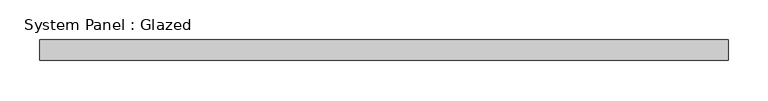
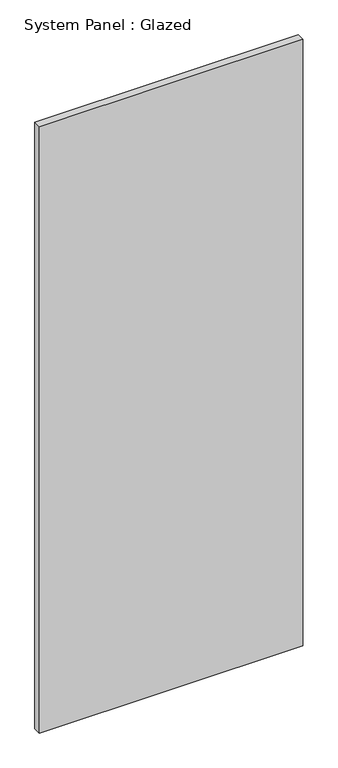
"""IFC4 building model written with IfcOpenShell, lengths in millimetres: plate geometry, System Panel : Glazed."""

import ifcopenshell
import ifcopenshell.guid

model = None  # the IFC model being written
_history = None  # IfcOwnerHistory: only IFC2X3 demands one
_inside = {}  # id of a spatial element -> (the spatial element, [elements in it])
_under = {}  # id of a project, library or spatial element -> (it, [spatial elements below it])
_declared = {}  # id of a project -> (the project, [libraries it declares])
_typed = {}  # id of a type object -> (the type object, [elements of that type])
_made_of = {}  # id of a material, layer set ... -> (it, [elements and type objects made of it])


def new_model(schema):
    """Start an empty IFC model of exactly this schema.

    Asked for "IFC4X3", IfcOpenShell would pick the latest addendum, in which some entities
    have other attributes; the version numbers below select the first issue.
    IFC2X3 requires an IfcOwnerHistory on every rooted entity: one is made here for all.
    """
    global model, _history
    if schema == "IFC4X3":
        model = ifcopenshell.file(schema_version=(4, 3, 0, 0))
    else:
        model = ifcopenshell.file(schema=schema)
    _inside.clear()
    _under.clear()
    _declared.clear()
    _typed.clear()
    _made_of.clear()
    _history = None
    if model.schema == "IFC2X3":
        org = make("IfcOrganization", Name="unknown")
        user = make(
            "IfcPersonAndOrganization",
            ThePerson=make("IfcPerson", FamilyName="unknown"),
            TheOrganization=org,
        )
        app = make(
            "IfcApplication",
            ApplicationDeveloper=org,
            Version="unknown",
            ApplicationFullName="unknown",
            ApplicationIdentifier="unknown",
        )
        _history = make(
            "IfcOwnerHistory",
            OwningUser=user,
            OwningApplication=app,
            ChangeAction="ADDED",
            CreationDate=0,
        )
    return model


def make(cls, **values):
    """One entity of the class cls with the attributes given. An attribute that is None is left unset."""
    return model.create_entity(
        cls, **{name: value for name, value in values.items() if value is not None}
    )


def rooted(cls, **values):
    """An entity with a GlobalId (a new one), such as an element, a storey or a relation."""
    return make(cls, GlobalId=ifcopenshell.guid.new(), OwnerHistory=_history, **values)


def si_unit(unit_type, name, prefix=None):
    """IfcSIUnit, for example si_unit("LENGTHUNIT", "METRE", prefix="MILLI")."""
    return make("IfcSIUnit", UnitType=unit_type, Prefix=prefix, Name=name)


def assignment(units):
    """IfcUnitAssignment: the units of a project."""
    return None if units is None else make("IfcUnitAssignment", Units=units)


def point(xyz):
    """IfcCartesianPoint."""
    return None if xyz is None else make("IfcCartesianPoint", Coordinates=xyz)


def direction(xyz):
    """IfcDirection."""
    return None if xyz is None else make("IfcDirection", DirectionRatios=xyz)


def frame(location, z_axis=None, x_axis=None):
    """IfcAxis2Placement3D, a coordinate frame: its origin and axes. An axis left out is left unset."""
    return make(
        "IfcAxis2Placement3D",
        Location=point(location),
        Axis=direction(z_axis),
        RefDirection=direction(x_axis),
    )


def origin():
    """The frame at (0, 0, 0) with its axes left unset."""
    return frame((0.0, 0.0, 0.0))


def origin_with_axes():
    """The frame at (0, 0, 0) with the z axis (0, 0, 1) and the x axis (1, 0, 0) written out."""
    return frame((0.0, 0.0, 0.0), z_axis=(0.0, 0.0, 1.0), x_axis=(1.0, 0.0, 0.0))


def place(relative_to, where):
    """IfcLocalPlacement: puts the frame where relative to a parent placement (None: the world)."""
    return make(
        "IfcLocalPlacement", PlacementRelTo=relative_to, RelativePlacement=where
    )


def context(
    kind, dimensions, precision=None, world=None, true_north=None, identifier=None
):
    """IfcGeometricRepresentationContext, for example the 3D "Model" context."""
    return make(
        "IfcGeometricRepresentationContext",
        ContextIdentifier=identifier,
        ContextType=kind,
        CoordinateSpaceDimension=dimensions,
        Precision=precision,
        WorldCoordinateSystem=world,
        TrueNorth=true_north,
    )


def project(units=None, contexts=None):
    """IfcProject with its units and contexts."""
    return rooted(
        "IfcProject",
        Name="project",
        RepresentationContexts=contexts,
        UnitsInContext=assignment(units),
    )


def spatial(cls, under=None, at=None, **own):
    """A site, building, storey or space (cls), placed at a placement, below another one or the project."""
    s = rooted(cls, ObjectPlacement=at, **own)
    if under is not None:
        _under.setdefault(under.id(), (under, []))[1].append(s)
    return s


def polyline(points):
    """IfcPolyline through the points."""
    return make("IfcPolyline", Points=[point(p) for p in points])


def outline(outer, holes=None, kind="AREA"):
    """IfcArbitraryClosedProfileDef: a profile drawn as a closed curve; with holes, ...WithVoids."""
    if holes is None:
        return make("IfcArbitraryClosedProfileDef", ProfileType=kind, OuterCurve=outer)
    return make(
        "IfcArbitraryProfileDefWithVoids",
        ProfileType=kind,
        OuterCurve=outer,
        InnerCurves=holes,
    )


def extrude(swept, where, along, depth):
    """IfcExtrudedAreaSolid: the profile swept, set in the frame where, extruded along a direction by depth."""
    return make(
        "IfcExtrudedAreaSolid",
        SweptArea=swept,
        Position=where,
        ExtrudedDirection=direction(along),
        Depth=depth,
    )


def shape(context_of_items, identifier, shape_type, items):
    """IfcShapeRepresentation: the items that make up one representation, for example the "Body"."""
    return make(
        "IfcShapeRepresentation",
        ContextOfItems=context_of_items,
        RepresentationIdentifier=identifier,
        RepresentationType=shape_type,
        Items=items,
    )


def source(mapping_origin, context_of_items, identifier, shape_type, items):
    """IfcRepresentationMap: a shape defined once, which mapped items show again and again."""
    return make(
        "IfcRepresentationMap",
        MappingOrigin=mapping_origin,
        MappedRepresentation=shape(context_of_items, identifier, shape_type, items),
    )


def transform(
    local_origin,
    x_axis=None,
    y_axis=None,
    z_axis=None,
    scale=None,
    scale2=None,
    scale3=None,
    uniform=True,
):
    """IfcCartesianTransformationOperator3D, or its non-uniform kind. x_axis, y_axis, z_axis: its Axis1, 2, 3."""
    if uniform:
        return make(
            "IfcCartesianTransformationOperator3D",
            Axis1=direction(x_axis),
            Axis2=direction(y_axis),
            LocalOrigin=point(local_origin),
            Scale=scale,
            Axis3=direction(z_axis),
        )
    return make(
        "IfcCartesianTransformationOperator3DnonUniform",
        Axis1=direction(x_axis),
        Axis2=direction(y_axis),
        LocalOrigin=point(local_origin),
        Scale=scale,
        Axis3=direction(z_axis),
        Scale2=scale2,
        Scale3=scale3,
    )


def mapped(mapping_source, mapping_target):
    """IfcMappedItem: shows the shape of a source again, moved by a transform."""
    return make(
        "IfcMappedItem", MappingSource=mapping_source, MappingTarget=mapping_target
    )


def made_of(thing, what):
    """Note that an element or type object is made of a material, layer set ...; save() writes the relation."""
    if what is not None:
        _made_of.setdefault(what.id(), (what, []))[1].append(thing)
    return thing


def element(
    cls,
    number,
    at=None,
    inside=None,
    cuts=None,
    type_object=None,
    material=None,
    context=None,
    identifier="Body",
    shape_type=None,
    held_by="IfcProductDefinitionShape",
    body=None,
    shapes=None,
    **own,
):
    """One element of the class cls, such as IfcWall. Its Tag is "e" and its number.

    at: its placement. inside: the storey or other place that contains it. cuts: it is an
    opening in that element (IfcRelVoidsElement). A single representation is given by context,
    identifier, shape_type and body (its items); several are given by shapes. held_by: the class
    of the entity that holds the representations. save() writes the other relations.
    """
    e = rooted(cls, Tag="e%d" % number, ObjectPlacement=at, **own)
    if body is not None:
        shapes = [shape(context, identifier, shape_type, body)]
    if shapes is not None:
        e.Representation = make(held_by, Representations=shapes)
    if inside is not None:
        _inside.setdefault(inside.id(), (inside, []))[1].append(e)
    if cuts is not None:
        rooted(
            "IfcRelVoidsElement", RelatingBuildingElement=cuts, RelatedOpeningElement=e
        )
    if type_object is not None:
        _typed.setdefault(type_object.id(), (type_object, []))[1].append(e)
    return made_of(e, material)


def aggregate(whole, parts):
    """IfcRelAggregates: a whole, such as a stair, and the parts it consists of."""
    return rooted("IfcRelAggregates", RelatingObject=whole, RelatedObjects=parts)


def save(model, path):
    """Write the relations noted so far, then the file.

    IfcRelAggregates (storeys below a building ...), IfcRelContainedInSpatialStructure (elements
    in a storey), IfcRelDefinesByType, IfcRelAssociatesMaterial and IfcRelDeclares: one each for
    every whole, place, type object, material and project.
    """
    for whole, parts in _under.values():
        aggregate(whole, parts)
    for where, things in _inside.values():
        rooted(
            "IfcRelContainedInSpatialStructure",
            RelatedElements=things,
            RelatingStructure=where,
        )
    for kind, things in _typed.values():
        rooted("IfcRelDefinesByType", RelatedObjects=things, RelatingType=kind)
    for what, things in _made_of.values():
        rooted("IfcRelAssociatesMaterial", RelatedObjects=things, RelatingMaterial=what)
    for by, libraries in _declared.values():
        rooted("IfcRelDeclares", RelatingContext=by, RelatedDefinitions=libraries)
    model.write(path)


def system_panel_glazed_05699a37(model_context):
    return source(origin(), model_context, "Body", "SweptSolid", [
        extrude(outline(polyline([(430.2125, 19.05), (-430.2125, 19.05), (-430.2125, 44.45), (430.2125, 44.45), (430.2125, 19.05)])), origin_with_axes(), (0.0, 0.0, 1.0), 2095.5),
    ])


if __name__ == "__main__":
    model = new_model("IFC4")
    model_context = context("Model", 3, world=origin())
    ifc_project = project(units=[si_unit("LENGTHUNIT", "METRE", prefix="MILLI")], contexts=[model_context])
    site = spatial("IfcSite", under=ifc_project)
    building = spatial("IfcBuilding", under=site)
    placement = place(None, origin())
    system_panel_glazed_shape = system_panel_glazed_05699a37(model_context)
    element("IfcPlate", 1, ObjectType="System Panel : Glazed", at=placement, inside=building, context=model_context, shape_type="MappedRepresentation", body=[
        mapped(system_panel_glazed_shape, transform((0.0, 0.0, 0.0), x_axis=(1.0, 0.0, 0.0), y_axis=(0.0, 1.0, 0.0), z_axis=(0.0, 0.0, 1.0))),
    ])
    save(model, "model.ifc")
